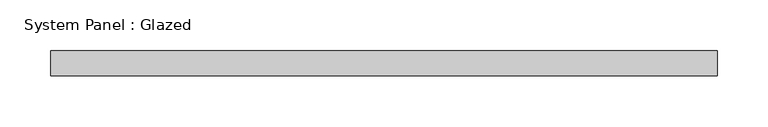
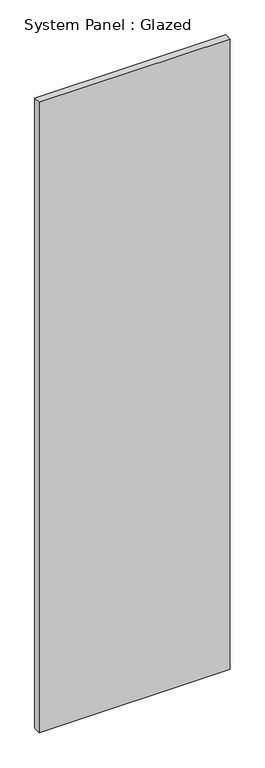
"""IFC4 building model written with IfcOpenShell, lengths in millimetres: plate geometry, System Panel : Glazed."""

from ifc_helpers import new_model, si_unit, origin, origin_with_axes, place, context, project, spatial, polyline, outline, extrude, source, transform, mapped, element, save


def system_panel_glazed_0141c7b5(model_context):
    return source(origin(), model_context, "Body", "SweptSolid", [
        extrude(outline(polyline([(330.0, -49.5), (-330.0, -49.5), (-330.0, -24.5), (330.0, -24.5), (330.0, -49.5)])), origin_with_axes(), (0.0, 0.0, 1.0), 2300.0),
    ])


if __name__ == "__main__":
    model = new_model("IFC4")
    model_context = context("Model", 3, world=origin())
    ifc_project = project(units=[si_unit("LENGTHUNIT", "METRE", prefix="MILLI")], contexts=[model_context])
    site = spatial("IfcSite", under=ifc_project)
    building = spatial("IfcBuilding", under=site)
    placement = place(None, origin())
    system_panel_glazed_shape = system_panel_glazed_0141c7b5(model_context)
    element("IfcPlate", 1, ObjectType="System Panel : Glazed", at=placement, inside=building, context=model_context, shape_type="MappedRepresentation", body=[
        mapped(system_panel_glazed_shape, transform((0.0, 0.0, 0.0), x_axis=(1.0, 0.0, 0.0), y_axis=(0.0, 1.0, 0.0), z_axis=(0.0, 0.0, 1.0))),
    ])
    save(model, "model.ifc")
